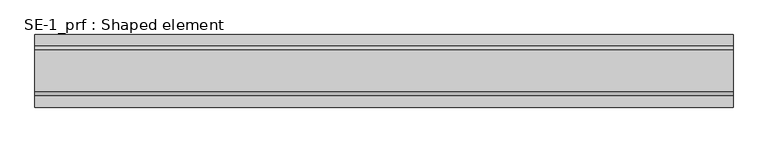
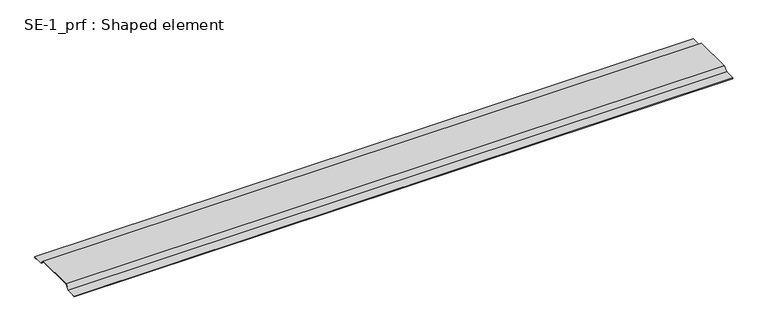
"""IFC4 building model written with IfcOpenShell, lengths in millimetres: proxy geometry, SE-1_prf : Shaped element."""

from ifc_helpers import new_model, si_unit, frame, origin, place, context, project, spatial, polyline, outline, extrude, source, transform, mapped, element, save


def se_1_prf_shaped_element_93f9eecd(model_context):
    return source(origin(), model_context, "Body", "SweptSolid", [
        extrude(outline(polyline([(99.5857864, 4.0), (84.5857864, 19.0), (-64.5857864, 19.0), (-79.5857864, 4.0), (-119.0, 4.0), (-119.0, 3.0), (-110.0, 3.0), (-110.0, 2.0), (-120.0, 2.0), (-120.0, 5.0), (-80.0, 5.0), (-65.0, 20.0), (85.0, 20.0), (100.0, 5.0), (140.0, 5.0), (140.0, 2.0), (130.0, 2.0), (130.0, 3.0), (139.0, 3.0), (139.0, 4.0), (99.5857864, 4.0)])), frame((0.0, 0.0, 0.0), z_axis=(1.0, 0.0, 0.0), x_axis=(0.0, 1.0, 0.0)), (0.0, 0.0, 1.0), 2500.0),
    ])


if __name__ == "__main__":
    model = new_model("IFC4")
    model_context = context("Model", 3, world=origin())
    ifc_project = project(units=[si_unit("LENGTHUNIT", "METRE", prefix="MILLI")], contexts=[model_context])
    site = spatial("IfcSite", under=ifc_project)
    building = spatial("IfcBuilding", under=site)
    placement = place(None, origin())
    se_1_prf_shaped_element_shape = se_1_prf_shaped_element_93f9eecd(model_context)
    element("IfcBuildingElementProxy", 1, Name="SE-1_prf : Shaped element", ObjectType="SE-1_prf : Shaped element", at=placement, inside=building, context=model_context, shape_type="MappedRepresentation", body=[
        mapped(se_1_prf_shaped_element_shape, transform((0.0, 0.0, 0.0), x_axis=(1.0, 0.0, 0.0), y_axis=(0.0, 1.0, 0.0), z_axis=(0.0, 0.0, 1.0))),
    ])
    save(model, "model.ifc")
